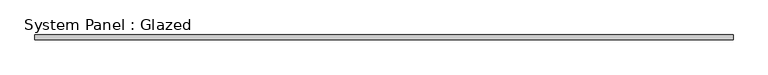
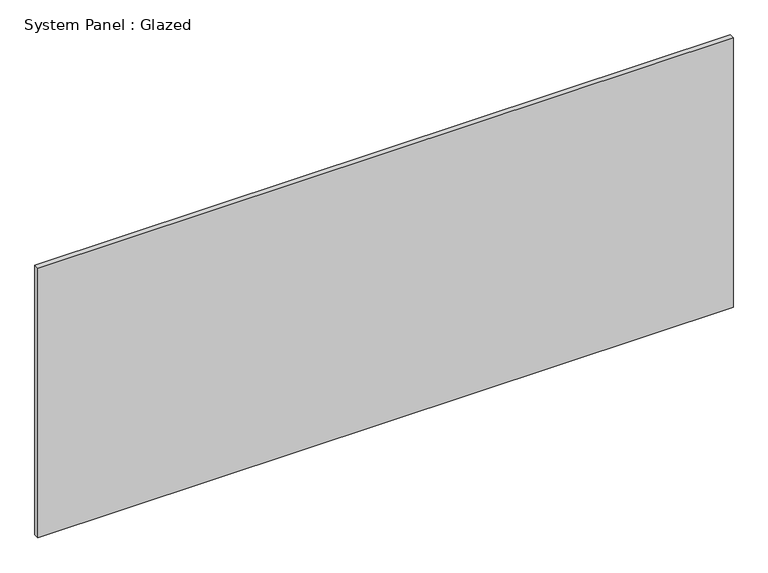
"""IFC4 building model written with IfcOpenShell, lengths in millimetres: plate geometry, System Panel : Glazed."""

import ifcopenshell
import ifcopenshell.guid

model = None  # the IFC model being written
_history = None  # IfcOwnerHistory: only IFC2X3 demands one
_inside = {}  # id of a spatial element -> (the spatial element, [elements in it])
_under = {}  # id of a project, library or spatial element -> (it, [spatial elements below it])
_declared = {}  # id of a project -> (the project, [libraries it declares])
_typed = {}  # id of a type object -> (the type object, [elements of that type])
_made_of = {}  # id of a material, layer set ... -> (it, [elements and type objects made of it])


def new_model(schema):
    """Start an empty IFC model of exactly this schema.

    Asked for "IFC4X3", IfcOpenShell would pick the latest addendum, in which some entities
    have other attributes; the version numbers below select the first issue.
    IFC2X3 requires an IfcOwnerHistory on every rooted entity: one is made here for all.
    """
    global model, _history
    if schema == "IFC4X3":
        model = ifcopenshell.file(schema_version=(4, 3, 0, 0))
    else:
        model = ifcopenshell.file(schema=schema)
    _inside.clear()
    _under.clear()
    _declared.clear()
    _typed.clear()
    _made_of.clear()
    _history = None
    if model.schema == "IFC2X3":
        org = make("IfcOrganization", Name="unknown")
        user = make(
            "IfcPersonAndOrganization",
            ThePerson=make("IfcPerson", FamilyName="unknown"),
            TheOrganization=org,
        )
        app = make(
            "IfcApplication",
            ApplicationDeveloper=org,
            Version="unknown",
            ApplicationFullName="unknown",
            ApplicationIdentifier="unknown",
        )
        _history = make(
            "IfcOwnerHistory",
            OwningUser=user,
            OwningApplication=app,
            ChangeAction="ADDED",
            CreationDate=0,
        )
    return model


def make(cls, **values):
    """One entity of the class cls with the attributes given. An attribute that is None is left unset."""
    return model.create_entity(
        cls, **{name: value for name, value in values.items() if value is not None}
    )


def rooted(cls, **values):
    """An entity with a GlobalId (a new one), such as an element, a storey or a relation."""
    return make(cls, GlobalId=ifcopenshell.guid.new(), OwnerHistory=_history, **values)


def si_unit(unit_type, name, prefix=None):
    """IfcSIUnit, for example si_unit("LENGTHUNIT", "METRE", prefix="MILLI")."""
    return make("IfcSIUnit", UnitType=unit_type, Prefix=prefix, Name=name)


def assignment(units):
    """IfcUnitAssignment: the units of a project."""
    return None if units is None else make("IfcUnitAssignment", Units=units)


def point(xyz):
    """IfcCartesianPoint."""
    return None if xyz is None else make("IfcCartesianPoint", Coordinates=xyz)


def direction(xyz):
    """IfcDirection."""
    return None if xyz is None else make("IfcDirection", DirectionRatios=xyz)


def frame(location, z_axis=None, x_axis=None):
    """IfcAxis2Placement3D, a coordinate frame: its origin and axes. An axis left out is left unset."""
    return make(
        "IfcAxis2Placement3D",
        Location=point(location),
        Axis=direction(z_axis),
        RefDirection=direction(x_axis),
    )


def origin():
    """The frame at (0, 0, 0) with its axes left unset."""
    return frame((0.0, 0.0, 0.0))


def origin_with_axes():
    """The frame at (0, 0, 0) with the z axis (0, 0, 1) and the x axis (1, 0, 0) written out."""
    return frame((0.0, 0.0, 0.0), z_axis=(0.0, 0.0, 1.0), x_axis=(1.0, 0.0, 0.0))


def place(relative_to, where):
    """IfcLocalPlacement: puts the frame where relative to a parent placement (None: the world)."""
    return make(
        "IfcLocalPlacement", PlacementRelTo=relative_to, RelativePlacement=where
    )


def context(
    kind, dimensions, precision=None, world=None, true_north=None, identifier=None
):
    """IfcGeometricRepresentationContext, for example the 3D "Model" context."""
    return make(
        "IfcGeometricRepresentationContext",
        ContextIdentifier=identifier,
        ContextType=kind,
        CoordinateSpaceDimension=dimensions,
        Precision=precision,
        WorldCoordinateSystem=world,
        TrueNorth=true_north,
    )


def project(units=None, contexts=None):
    """IfcProject with its units and contexts."""
    return rooted(
        "IfcProject",
        Name="project",
        RepresentationContexts=contexts,
        UnitsInContext=assignment(units),
    )


def spatial(cls, under=None, at=None, **own):
    """A site, building, storey or space (cls), placed at a placement, below another one or the project."""
    s = rooted(cls, ObjectPlacement=at, **own)
    if under is not None:
        _under.setdefault(under.id(), (under, []))[1].append(s)
    return s


def polyline(points):
    """IfcPolyline through the points."""
    return make("IfcPolyline", Points=[point(p) for p in points])


def outline(outer, holes=None, kind="AREA"):
    """IfcArbitraryClosedProfileDef: a profile drawn as a closed curve; with holes, ...WithVoids."""
    if holes is None:
        return make("IfcArbitraryClosedProfileDef", ProfileType=kind, OuterCurve=outer)
    return make(
        "IfcArbitraryProfileDefWithVoids",
        ProfileType=kind,
        OuterCurve=outer,
        InnerCurves=holes,
    )


def extrude(swept, where, along, depth):
    """IfcExtrudedAreaSolid: the profile swept, set in the frame where, extruded along a direction by depth."""
    return make(
        "IfcExtrudedAreaSolid",
        SweptArea=swept,
        Position=where,
        ExtrudedDirection=direction(along),
        Depth=depth,
    )


def shape(context_of_items, identifier, shape_type, items):
    """IfcShapeRepresentation: the items that make up one representation, for example the "Body"."""
    return make(
        "IfcShapeRepresentation",
        ContextOfItems=context_of_items,
        RepresentationIdentifier=identifier,
        RepresentationType=shape_type,
        Items=items,
    )


def source(mapping_origin, context_of_items, identifier, shape_type, items):
    """IfcRepresentationMap: a shape defined once, which mapped items show again and again."""
    return make(
        "IfcRepresentationMap",
        MappingOrigin=mapping_origin,
        MappedRepresentation=shape(context_of_items, identifier, shape_type, items),
    )


def transform(
    local_origin,
    x_axis=None,
    y_axis=None,
    z_axis=None,
    scale=None,
    scale2=None,
    scale3=None,
    uniform=True,
):
    """IfcCartesianTransformationOperator3D, or its non-uniform kind. x_axis, y_axis, z_axis: its Axis1, 2, 3."""
    if uniform:
        return make(
            "IfcCartesianTransformationOperator3D",
            Axis1=direction(x_axis),
            Axis2=direction(y_axis),
            LocalOrigin=point(local_origin),
            Scale=scale,
            Axis3=direction(z_axis),
        )
    return make(
        "IfcCartesianTransformationOperator3DnonUniform",
        Axis1=direction(x_axis),
        Axis2=direction(y_axis),
        LocalOrigin=point(local_origin),
        Scale=scale,
        Axis3=direction(z_axis),
        Scale2=scale2,
        Scale3=scale3,
    )


def mapped(mapping_source, mapping_target):
    """IfcMappedItem: shows the shape of a source again, moved by a transform."""
    return make(
        "IfcMappedItem", MappingSource=mapping_source, MappingTarget=mapping_target
    )


def made_of(thing, what):
    """Note that an element or type object is made of a material, layer set ...; save() writes the relation."""
    if what is not None:
        _made_of.setdefault(what.id(), (what, []))[1].append(thing)
    return thing


def element(
    cls,
    number,
    at=None,
    inside=None,
    cuts=None,
    type_object=None,
    material=None,
    context=None,
    identifier="Body",
    shape_type=None,
    held_by="IfcProductDefinitionShape",
    body=None,
    shapes=None,
    **own,
):
    """One element of the class cls, such as IfcWall. Its Tag is "e" and its number.

    at: its placement. inside: the storey or other place that contains it. cuts: it is an
    opening in that element (IfcRelVoidsElement). A single representation is given by context,
    identifier, shape_type and body (its items); several are given by shapes. held_by: the class
    of the entity that holds the representations. save() writes the other relations.
    """
    e = rooted(cls, Tag="e%d" % number, ObjectPlacement=at, **own)
    if body is not None:
        shapes = [shape(context, identifier, shape_type, body)]
    if shapes is not None:
        e.Representation = make(held_by, Representations=shapes)
    if inside is not None:
        _inside.setdefault(inside.id(), (inside, []))[1].append(e)
    if cuts is not None:
        rooted(
            "IfcRelVoidsElement", RelatingBuildingElement=cuts, RelatedOpeningElement=e
        )
    if type_object is not None:
        _typed.setdefault(type_object.id(), (type_object, []))[1].append(e)
    return made_of(e, material)


def aggregate(whole, parts):
    """IfcRelAggregates: a whole, such as a stair, and the parts it consists of."""
    return rooted("IfcRelAggregates", RelatingObject=whole, RelatedObjects=parts)


def save(model, path):
    """Write the relations noted so far, then the file.

    IfcRelAggregates (storeys below a building ...), IfcRelContainedInSpatialStructure (elements
    in a storey), IfcRelDefinesByType, IfcRelAssociatesMaterial and IfcRelDeclares: one each for
    every whole, place, type object, material and project.
    """
    for whole, parts in _under.values():
        aggregate(whole, parts)
    for where, things in _inside.values():
        rooted(
            "IfcRelContainedInSpatialStructure",
            RelatedElements=things,
            RelatingStructure=where,
        )
    for kind, things in _typed.values():
        rooted("IfcRelDefinesByType", RelatedObjects=things, RelatingType=kind)
    for what, things in _made_of.values():
        rooted("IfcRelAssociatesMaterial", RelatedObjects=things, RelatingMaterial=what)
    for by, libraries in _declared.values():
        rooted("IfcRelDeclares", RelatingContext=by, RelatedDefinitions=libraries)
    model.write(path)


def system_panel_glazed_a9984c5a(model_context):
    return source(origin(), model_context, "Body", "SweptSolid", [
        extrude(outline(polyline([(1781.175, -44.45), (-1781.175, -44.45), (-1781.175, -19.05), (1781.175, -19.05), (1781.175, -44.45)])), origin_with_axes(), (0.0, 0.0, 1.0), 1460.5),
    ])


if __name__ == "__main__":
    model = new_model("IFC4")
    model_context = context("Model", 3, world=origin())
    ifc_project = project(units=[si_unit("LENGTHUNIT", "METRE", prefix="MILLI")], contexts=[model_context])
    site = spatial("IfcSite", under=ifc_project)
    building = spatial("IfcBuilding", under=site)
    placement = place(None, origin())
    system_panel_glazed_shape = system_panel_glazed_a9984c5a(model_context)
    element("IfcPlate", 1, ObjectType="System Panel : Glazed", at=placement, inside=building, context=model_context, shape_type="MappedRepresentation", body=[
        mapped(system_panel_glazed_shape, transform((0.0, 0.0, 0.0), x_axis=(1.0, 0.0, 0.0), y_axis=(0.0, 1.0, 0.0), z_axis=(0.0, 0.0, 1.0))),
    ])
    save(model, "model.ifc")
